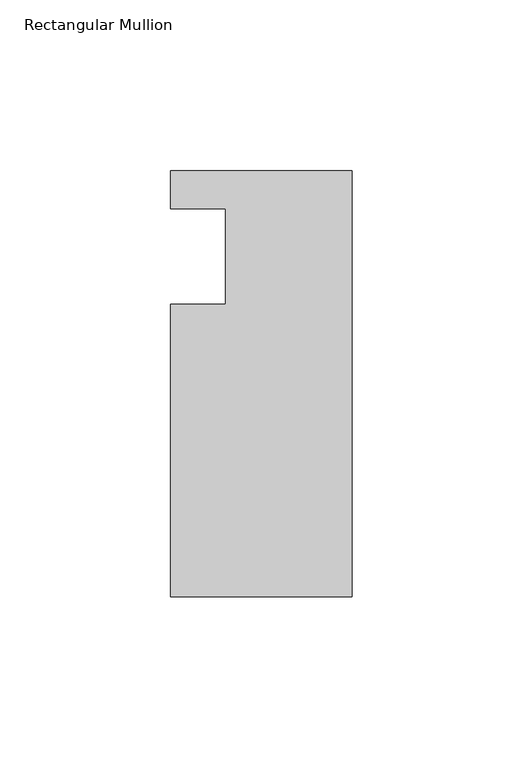
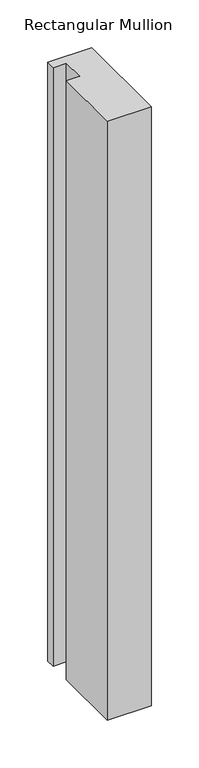
"""IFC4 building model written with IfcOpenShell, lengths in millimetres: member geometry, Rectangular Mullion."""

import ifcopenshell
import ifcopenshell.guid

model = None  # the IFC model being written
_history = None  # IfcOwnerHistory: only IFC2X3 demands one
_inside = {}  # id of a spatial element -> (the spatial element, [elements in it])
_under = {}  # id of a project, library or spatial element -> (it, [spatial elements below it])
_declared = {}  # id of a project -> (the project, [libraries it declares])
_typed = {}  # id of a type object -> (the type object, [elements of that type])
_made_of = {}  # id of a material, layer set ... -> (it, [elements and type objects made of it])


def new_model(schema):
    """Start an empty IFC model of exactly this schema.

    Asked for "IFC4X3", IfcOpenShell would pick the latest addendum, in which some entities
    have other attributes; the version numbers below select the first issue.
    IFC2X3 requires an IfcOwnerHistory on every rooted entity: one is made here for all.
    """
    global model, _history
    if schema == "IFC4X3":
        model = ifcopenshell.file(schema_version=(4, 3, 0, 0))
    else:
        model = ifcopenshell.file(schema=schema)
    _inside.clear()
    _under.clear()
    _declared.clear()
    _typed.clear()
    _made_of.clear()
    _history = None
    if model.schema == "IFC2X3":
        org = make("IfcOrganization", Name="unknown")
        user = make(
            "IfcPersonAndOrganization",
            ThePerson=make("IfcPerson", FamilyName="unknown"),
            TheOrganization=org,
        )
        app = make(
            "IfcApplication",
            ApplicationDeveloper=org,
            Version="unknown",
            ApplicationFullName="unknown",
            ApplicationIdentifier="unknown",
        )
        _history = make(
            "IfcOwnerHistory",
            OwningUser=user,
            OwningApplication=app,
            ChangeAction="ADDED",
            CreationDate=0,
        )
    return model


def make(cls, **values):
    """One entity of the class cls with the attributes given. An attribute that is None is left unset."""
    return model.create_entity(
        cls, **{name: value for name, value in values.items() if value is not None}
    )


def rooted(cls, **values):
    """An entity with a GlobalId (a new one), such as an element, a storey or a relation."""
    return make(cls, GlobalId=ifcopenshell.guid.new(), OwnerHistory=_history, **values)


def si_unit(unit_type, name, prefix=None):
    """IfcSIUnit, for example si_unit("LENGTHUNIT", "METRE", prefix="MILLI")."""
    return make("IfcSIUnit", UnitType=unit_type, Prefix=prefix, Name=name)


def assignment(units):
    """IfcUnitAssignment: the units of a project."""
    return None if units is None else make("IfcUnitAssignment", Units=units)


def point(xyz):
    """IfcCartesianPoint."""
    return None if xyz is None else make("IfcCartesianPoint", Coordinates=xyz)


def direction(xyz):
    """IfcDirection."""
    return None if xyz is None else make("IfcDirection", DirectionRatios=xyz)


def frame(location, z_axis=None, x_axis=None):
    """IfcAxis2Placement3D, a coordinate frame: its origin and axes. An axis left out is left unset."""
    return make(
        "IfcAxis2Placement3D",
        Location=point(location),
        Axis=direction(z_axis),
        RefDirection=direction(x_axis),
    )


def origin():
    """The frame at (0, 0, 0) with its axes left unset."""
    return frame((0.0, 0.0, 0.0))


def place(relative_to, where):
    """IfcLocalPlacement: puts the frame where relative to a parent placement (None: the world)."""
    return make(
        "IfcLocalPlacement", PlacementRelTo=relative_to, RelativePlacement=where
    )


def context(
    kind, dimensions, precision=None, world=None, true_north=None, identifier=None
):
    """IfcGeometricRepresentationContext, for example the 3D "Model" context."""
    return make(
        "IfcGeometricRepresentationContext",
        ContextIdentifier=identifier,
        ContextType=kind,
        CoordinateSpaceDimension=dimensions,
        Precision=precision,
        WorldCoordinateSystem=world,
        TrueNorth=true_north,
    )


def project(units=None, contexts=None):
    """IfcProject with its units and contexts."""
    return rooted(
        "IfcProject",
        Name="project",
        RepresentationContexts=contexts,
        UnitsInContext=assignment(units),
    )


def spatial(cls, under=None, at=None, **own):
    """A site, building, storey or space (cls), placed at a placement, below another one or the project."""
    s = rooted(cls, ObjectPlacement=at, **own)
    if under is not None:
        _under.setdefault(under.id(), (under, []))[1].append(s)
    return s


def polyline(points):
    """IfcPolyline through the points."""
    return make("IfcPolyline", Points=[point(p) for p in points])


def outline(outer, holes=None, kind="AREA"):
    """IfcArbitraryClosedProfileDef: a profile drawn as a closed curve; with holes, ...WithVoids."""
    if holes is None:
        return make("IfcArbitraryClosedProfileDef", ProfileType=kind, OuterCurve=outer)
    return make(
        "IfcArbitraryProfileDefWithVoids",
        ProfileType=kind,
        OuterCurve=outer,
        InnerCurves=holes,
    )


def extrude(swept, where, along, depth):
    """IfcExtrudedAreaSolid: the profile swept, set in the frame where, extruded along a direction by depth."""
    return make(
        "IfcExtrudedAreaSolid",
        SweptArea=swept,
        Position=where,
        ExtrudedDirection=direction(along),
        Depth=depth,
    )


def shape(context_of_items, identifier, shape_type, items):
    """IfcShapeRepresentation: the items that make up one representation, for example the "Body"."""
    return make(
        "IfcShapeRepresentation",
        ContextOfItems=context_of_items,
        RepresentationIdentifier=identifier,
        RepresentationType=shape_type,
        Items=items,
    )


def source(mapping_origin, context_of_items, identifier, shape_type, items):
    """IfcRepresentationMap: a shape defined once, which mapped items show again and again."""
    return make(
        "IfcRepresentationMap",
        MappingOrigin=mapping_origin,
        MappedRepresentation=shape(context_of_items, identifier, shape_type, items),
    )


def transform(
    local_origin,
    x_axis=None,
    y_axis=None,
    z_axis=None,
    scale=None,
    scale2=None,
    scale3=None,
    uniform=True,
):
    """IfcCartesianTransformationOperator3D, or its non-uniform kind. x_axis, y_axis, z_axis: its Axis1, 2, 3."""
    if uniform:
        return make(
            "IfcCartesianTransformationOperator3D",
            Axis1=direction(x_axis),
            Axis2=direction(y_axis),
            LocalOrigin=point(local_origin),
            Scale=scale,
            Axis3=direction(z_axis),
        )
    return make(
        "IfcCartesianTransformationOperator3DnonUniform",
        Axis1=direction(x_axis),
        Axis2=direction(y_axis),
        LocalOrigin=point(local_origin),
        Scale=scale,
        Axis3=direction(z_axis),
        Scale2=scale2,
        Scale3=scale3,
    )


def mapped(mapping_source, mapping_target):
    """IfcMappedItem: shows the shape of a source again, moved by a transform."""
    return make(
        "IfcMappedItem", MappingSource=mapping_source, MappingTarget=mapping_target
    )


def made_of(thing, what):
    """Note that an element or type object is made of a material, layer set ...; save() writes the relation."""
    if what is not None:
        _made_of.setdefault(what.id(), (what, []))[1].append(thing)
    return thing


def element(
    cls,
    number,
    at=None,
    inside=None,
    cuts=None,
    type_object=None,
    material=None,
    context=None,
    identifier="Body",
    shape_type=None,
    held_by="IfcProductDefinitionShape",
    body=None,
    shapes=None,
    **own,
):
    """One element of the class cls, such as IfcWall. Its Tag is "e" and its number.

    at: its placement. inside: the storey or other place that contains it. cuts: it is an
    opening in that element (IfcRelVoidsElement). A single representation is given by context,
    identifier, shape_type and body (its items); several are given by shapes. held_by: the class
    of the entity that holds the representations. save() writes the other relations.
    """
    e = rooted(cls, Tag="e%d" % number, ObjectPlacement=at, **own)
    if body is not None:
        shapes = [shape(context, identifier, shape_type, body)]
    if shapes is not None:
        e.Representation = make(held_by, Representations=shapes)
    if inside is not None:
        _inside.setdefault(inside.id(), (inside, []))[1].append(e)
    if cuts is not None:
        rooted(
            "IfcRelVoidsElement", RelatingBuildingElement=cuts, RelatedOpeningElement=e
        )
    if type_object is not None:
        _typed.setdefault(type_object.id(), (type_object, []))[1].append(e)
    return made_of(e, material)


def aggregate(whole, parts):
    """IfcRelAggregates: a whole, such as a stair, and the parts it consists of."""
    return rooted("IfcRelAggregates", RelatingObject=whole, RelatedObjects=parts)


def save(model, path):
    """Write the relations noted so far, then the file.

    IfcRelAggregates (storeys below a building ...), IfcRelContainedInSpatialStructure (elements
    in a storey), IfcRelDefinesByType, IfcRelAssociatesMaterial and IfcRelDeclares: one each for
    every whole, place, type object, material and project.
    """
    for whole, parts in _under.values():
        aggregate(whole, parts)
    for where, things in _inside.values():
        rooted(
            "IfcRelContainedInSpatialStructure",
            RelatedElements=things,
            RelatingStructure=where,
        )
    for kind, things in _typed.values():
        rooted("IfcRelDefinesByType", RelatedObjects=things, RelatingType=kind)
    for what, things in _made_of.values():
        rooted("IfcRelAssociatesMaterial", RelatedObjects=things, RelatingMaterial=what)
    for by, libraries in _declared.values():
        rooted("IfcRelDeclares", RelatingContext=by, RelatedDefinitions=libraries)
    model.write(path)


def rectangular_mullion_a612fcab(model_context):
    return source(origin(), model_context, "Body", "SweptSolid", [
        extrude(outline(polyline([(-37.0, 13.9999453), (-53.0, 13.9999453), (-53.0, 24.9999453), (0.0, 24.9999453), (0.0, -99.5000547), (-53.0, -99.5000547), (-53.0, -14.0000547), (-37.0, -14.0000547), (-37.0, 13.9999453)])), frame((0.0, 0.0, -764.9948621), z_axis=(0.0, 0.0, 1.0), x_axis=(1.0, 0.0, 0.0)), (0.0, 0.0, 1.0), 764.9948621),
    ])


if __name__ == "__main__":
    model = new_model("IFC4")
    model_context = context("Model", 3, world=origin())
    ifc_project = project(units=[si_unit("LENGTHUNIT", "METRE", prefix="MILLI")], contexts=[model_context])
    site = spatial("IfcSite", under=ifc_project)
    building = spatial("IfcBuilding", under=site)
    placement = place(None, origin())
    rectangular_mullion_shape = rectangular_mullion_a612fcab(model_context)
    element("IfcMember", 1, ObjectType="Rectangular Mullion", at=placement, inside=building, context=model_context, shape_type="MappedRepresentation", body=[
        mapped(rectangular_mullion_shape, transform((0.0, 0.0, 0.0), x_axis=(1.0, 0.0, 0.0), y_axis=(0.0, 1.0, 0.0), z_axis=(0.0, 0.0, 1.0))),
    ])
    save(model, "model.ifc")
